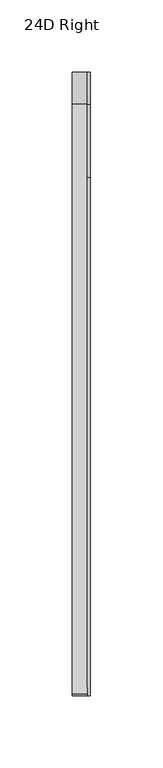
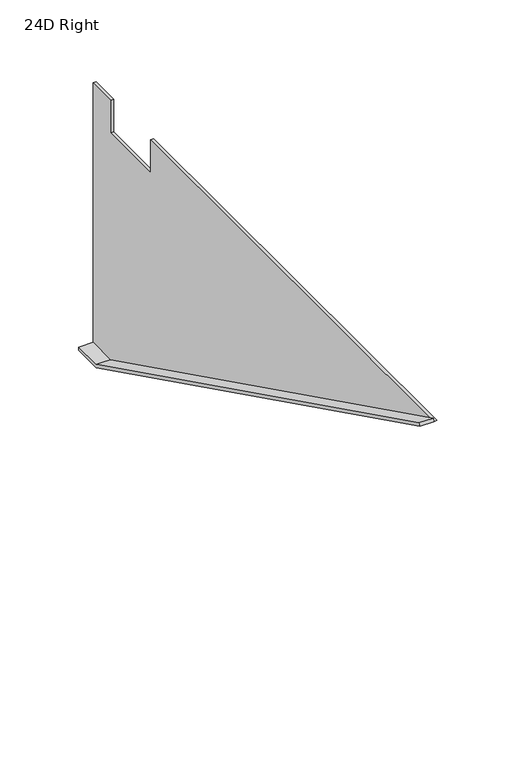
"""IFC4 building model written with IfcOpenShell, lengths in millimetres: furniture geometry, 24D Right."""

from ifc_helpers import new_model, si_unit, frame, origin, place, context, project, spatial, polyline, outline, extrude, source, transform, mapped, element, save


def furniture_24d_right_b8f5cfed(model_context):
    return source(origin(), model_context, "Body", "SweptSolid", [
        extrude(outline(polyline([(254.0, 505.5235), (254.0, 503.2375), (231.775, 503.2375), (-178.0807823, 706.4375), (-177.0653655, 708.4856027), (232.3105764, 505.5235), (254.0, 505.5235)])), frame((-12.7, 0.0, 0.0), z_axis=(1.0, 0.0, 0.0), x_axis=(0.0, 1.0, 0.0)), (0.0, 0.0, 1.0), 10.414),
        extrude(outline(polyline([(254.0, 706.4375), (254.0, 503.2375), (231.775, 503.2375), (-178.0807823, 706.4375), (180.975, 706.4375), (180.975, 681.0375), (231.775, 681.0375), (231.775, 706.4375), (254.0, 706.4375)])), frame((-2.286, 0.0, 0.0), z_axis=(1.0, 0.0, 0.0), x_axis=(0.0, 1.0, 0.0)), (0.0, 0.0, 1.0), 2.286),
    ])


if __name__ == "__main__":
    model = new_model("IFC4")
    model_context = context("Model", 3, world=origin())
    ifc_project = project(units=[si_unit("LENGTHUNIT", "METRE", prefix="MILLI")], contexts=[model_context])
    site = spatial("IfcSite", under=ifc_project)
    building = spatial("IfcBuilding", under=site)
    placement = place(None, origin())
    furniture_24d_right_shape = furniture_24d_right_b8f5cfed(model_context)
    element("IfcFurniture", 1, ObjectType="24D Right", at=placement, inside=building, context=model_context, shape_type="MappedRepresentation", body=[
        mapped(furniture_24d_right_shape, transform((0.0, 0.0, 0.0), x_axis=(1.0, 0.0, 0.0), y_axis=(0.0, 1.0, 0.0), z_axis=(0.0, 0.0, 1.0))),
    ])
    save(model, "model.ifc")
